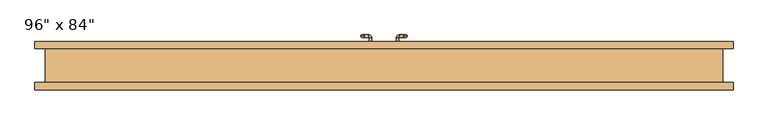
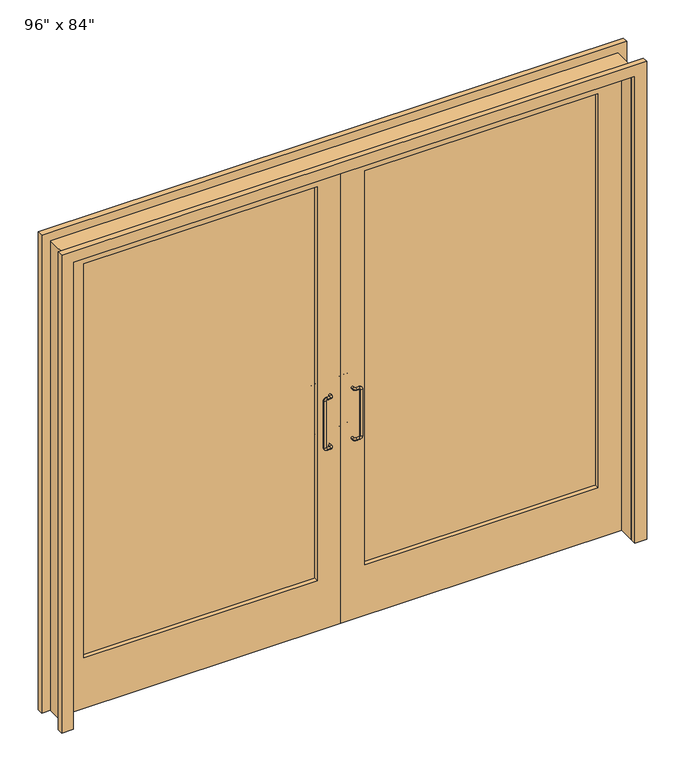
"""IFC4 building model written with IfcOpenShell, lengths in millimetres: door geometry."""

import ifcopenshell
import ifcopenshell.guid

model = None  # the IFC model being written
_history = None  # IfcOwnerHistory: only IFC2X3 demands one
_inside = {}  # id of a spatial element -> (the spatial element, [elements in it])
_under = {}  # id of a project, library or spatial element -> (it, [spatial elements below it])
_declared = {}  # id of a project -> (the project, [libraries it declares])
_typed = {}  # id of a type object -> (the type object, [elements of that type])
_made_of = {}  # id of a material, layer set ... -> (it, [elements and type objects made of it])


def new_model(schema):
    """Start an empty IFC model of exactly this schema.

    Asked for "IFC4X3", IfcOpenShell would pick the latest addendum, in which some entities
    have other attributes; the version numbers below select the first issue.
    IFC2X3 requires an IfcOwnerHistory on every rooted entity: one is made here for all.
    """
    global model, _history
    if schema == "IFC4X3":
        model = ifcopenshell.file(schema_version=(4, 3, 0, 0))
    else:
        model = ifcopenshell.file(schema=schema)
    _inside.clear()
    _under.clear()
    _declared.clear()
    _typed.clear()
    _made_of.clear()
    _history = None
    if model.schema == "IFC2X3":
        org = make("IfcOrganization", Name="unknown")
        user = make(
            "IfcPersonAndOrganization",
            ThePerson=make("IfcPerson", FamilyName="unknown"),
            TheOrganization=org,
        )
        app = make(
            "IfcApplication",
            ApplicationDeveloper=org,
            Version="unknown",
            ApplicationFullName="unknown",
            ApplicationIdentifier="unknown",
        )
        _history = make(
            "IfcOwnerHistory",
            OwningUser=user,
            OwningApplication=app,
            ChangeAction="ADDED",
            CreationDate=0,
        )
    return model


def make(cls, **values):
    """One entity of the class cls with the attributes given. An attribute that is None is left unset."""
    return model.create_entity(
        cls, **{name: value for name, value in values.items() if value is not None}
    )


def rooted(cls, **values):
    """An entity with a GlobalId (a new one), such as an element, a storey or a relation."""
    return make(cls, GlobalId=ifcopenshell.guid.new(), OwnerHistory=_history, **values)


def si_unit(unit_type, name, prefix=None):
    """IfcSIUnit, for example si_unit("LENGTHUNIT", "METRE", prefix="MILLI")."""
    return make("IfcSIUnit", UnitType=unit_type, Prefix=prefix, Name=name)


def assignment(units):
    """IfcUnitAssignment: the units of a project."""
    return None if units is None else make("IfcUnitAssignment", Units=units)


def point(xyz):
    """IfcCartesianPoint."""
    return None if xyz is None else make("IfcCartesianPoint", Coordinates=xyz)


def direction(xyz):
    """IfcDirection."""
    return None if xyz is None else make("IfcDirection", DirectionRatios=xyz)


def frame(location, z_axis=None, x_axis=None):
    """IfcAxis2Placement3D, a coordinate frame: its origin and axes. An axis left out is left unset."""
    return make(
        "IfcAxis2Placement3D",
        Location=point(location),
        Axis=direction(z_axis),
        RefDirection=direction(x_axis),
    )


def origin():
    """The frame at (0, 0, 0) with its axes left unset."""
    return frame((0.0, 0.0, 0.0))


def place(relative_to, where):
    """IfcLocalPlacement: puts the frame where relative to a parent placement (None: the world)."""
    return make(
        "IfcLocalPlacement", PlacementRelTo=relative_to, RelativePlacement=where
    )


def context(
    kind, dimensions, precision=None, world=None, true_north=None, identifier=None
):
    """IfcGeometricRepresentationContext, for example the 3D "Model" context."""
    return make(
        "IfcGeometricRepresentationContext",
        ContextIdentifier=identifier,
        ContextType=kind,
        CoordinateSpaceDimension=dimensions,
        Precision=precision,
        WorldCoordinateSystem=world,
        TrueNorth=true_north,
    )


def project(units=None, contexts=None):
    """IfcProject with its units and contexts."""
    return rooted(
        "IfcProject",
        Name="project",
        RepresentationContexts=contexts,
        UnitsInContext=assignment(units),
    )


def spatial(cls, under=None, at=None, **own):
    """A site, building, storey or space (cls), placed at a placement, below another one or the project."""
    s = rooted(cls, ObjectPlacement=at, **own)
    if under is not None:
        _under.setdefault(under.id(), (under, []))[1].append(s)
    return s


def polyline(points):
    """IfcPolyline through the points."""
    return make("IfcPolyline", Points=[point(p) for p in points])


def circle_curve(where, radius):
    """IfcCircle in the frame where."""
    return make("IfcCircle", Position=where, Radius=radius)


def ellipse_curve(where, semi_axis1, semi_axis2):
    """IfcEllipse in the frame where."""
    return make(
        "IfcEllipse", Position=where, SemiAxis1=semi_axis1, SemiAxis2=semi_axis2
    )


def trimmed(basis, trim1, trim2, sense, master):
    """IfcTrimmedCurve: the piece of a basis curve between two trims."""
    return make(
        "IfcTrimmedCurve",
        BasisCurve=basis,
        Trim1=trim1,
        Trim2=trim2,
        SenseAgreement=sense,
        MasterRepresentation=master,
    )


def outline(outer, holes=None, kind="AREA"):
    """IfcArbitraryClosedProfileDef: a profile drawn as a closed curve; with holes, ...WithVoids."""
    if holes is None:
        return make("IfcArbitraryClosedProfileDef", ProfileType=kind, OuterCurve=outer)
    return make(
        "IfcArbitraryProfileDefWithVoids",
        ProfileType=kind,
        OuterCurve=outer,
        InnerCurves=holes,
    )


def extrude(swept, where, along, depth):
    """IfcExtrudedAreaSolid: the profile swept, set in the frame where, extruded along a direction by depth."""
    return make(
        "IfcExtrudedAreaSolid",
        SweptArea=swept,
        Position=where,
        ExtrudedDirection=direction(along),
        Depth=depth,
    )


def shape(context_of_items, identifier, shape_type, items):
    """IfcShapeRepresentation: the items that make up one representation, for example the "Body"."""
    return make(
        "IfcShapeRepresentation",
        ContextOfItems=context_of_items,
        RepresentationIdentifier=identifier,
        RepresentationType=shape_type,
        Items=items,
    )


def source(mapping_origin, context_of_items, identifier, shape_type, items):
    """IfcRepresentationMap: a shape defined once, which mapped items show again and again."""
    return make(
        "IfcRepresentationMap",
        MappingOrigin=mapping_origin,
        MappedRepresentation=shape(context_of_items, identifier, shape_type, items),
    )


def transform(
    local_origin,
    x_axis=None,
    y_axis=None,
    z_axis=None,
    scale=None,
    scale2=None,
    scale3=None,
    uniform=True,
):
    """IfcCartesianTransformationOperator3D, or its non-uniform kind. x_axis, y_axis, z_axis: its Axis1, 2, 3."""
    if uniform:
        return make(
            "IfcCartesianTransformationOperator3D",
            Axis1=direction(x_axis),
            Axis2=direction(y_axis),
            LocalOrigin=point(local_origin),
            Scale=scale,
            Axis3=direction(z_axis),
        )
    return make(
        "IfcCartesianTransformationOperator3DnonUniform",
        Axis1=direction(x_axis),
        Axis2=direction(y_axis),
        LocalOrigin=point(local_origin),
        Scale=scale,
        Axis3=direction(z_axis),
        Scale2=scale2,
        Scale3=scale3,
    )


def mapped(mapping_source, mapping_target):
    """IfcMappedItem: shows the shape of a source again, moved by a transform."""
    return make(
        "IfcMappedItem", MappingSource=mapping_source, MappingTarget=mapping_target
    )


def made_of(thing, what):
    """Note that an element or type object is made of a material, layer set ...; save() writes the relation."""
    if what is not None:
        _made_of.setdefault(what.id(), (what, []))[1].append(thing)
    return thing


def element(
    cls,
    number,
    at=None,
    inside=None,
    cuts=None,
    type_object=None,
    material=None,
    context=None,
    identifier="Body",
    shape_type=None,
    held_by="IfcProductDefinitionShape",
    body=None,
    shapes=None,
    **own,
):
    """One element of the class cls, such as IfcWall. Its Tag is "e" and its number.

    at: its placement. inside: the storey or other place that contains it. cuts: it is an
    opening in that element (IfcRelVoidsElement). A single representation is given by context,
    identifier, shape_type and body (its items); several are given by shapes. held_by: the class
    of the entity that holds the representations. save() writes the other relations.
    """
    e = rooted(cls, Tag="e%d" % number, ObjectPlacement=at, **own)
    if body is not None:
        shapes = [shape(context, identifier, shape_type, body)]
    if shapes is not None:
        e.Representation = make(held_by, Representations=shapes)
    if inside is not None:
        _inside.setdefault(inside.id(), (inside, []))[1].append(e)
    if cuts is not None:
        rooted(
            "IfcRelVoidsElement", RelatingBuildingElement=cuts, RelatedOpeningElement=e
        )
    if type_object is not None:
        _typed.setdefault(type_object.id(), (type_object, []))[1].append(e)
    return made_of(e, material)


def aggregate(whole, parts):
    """IfcRelAggregates: a whole, such as a stair, and the parts it consists of."""
    return rooted("IfcRelAggregates", RelatingObject=whole, RelatedObjects=parts)


def save(model, path):
    """Write the relations noted so far, then the file.

    IfcRelAggregates (storeys below a building ...), IfcRelContainedInSpatialStructure (elements
    in a storey), IfcRelDefinesByType, IfcRelAssociatesMaterial and IfcRelDeclares: one each for
    every whole, place, type object, material and project.
    """
    for whole, parts in _under.values():
        aggregate(whole, parts)
    for where, things in _inside.values():
        rooted(
            "IfcRelContainedInSpatialStructure",
            RelatedElements=things,
            RelatingStructure=where,
        )
    for kind, things in _typed.values():
        rooted("IfcRelDefinesByType", RelatedObjects=things, RelatingType=kind)
    for what, things in _made_of.values():
        rooted("IfcRelAssociatesMaterial", RelatedObjects=things, RelatingMaterial=what)
    for by, libraries in _declared.values():
        rooted("IfcRelDeclares", RelatingContext=by, RelatedDefinitions=libraries)
    model.write(path)


def plane_surface(at):
    """IfcPlane: the flat surface through the origin of the frame at, square to its z axis."""
    return make("IfcPlane", Position=at)


def cylinder_surface(at, radius):
    """IfcCylindricalSurface: all points at the distance radius from the z axis of the frame at."""
    return make("IfcCylindricalSurface", Position=at, Radius=radius)


def revolved_surface(curve, axis_point, axis_direction):
    """IfcSurfaceOfRevolution: the curve turned about the line through axis_point along axis_direction."""
    return make(
        "IfcSurfaceOfRevolution",
        SweptCurve=make("IfcArbitraryOpenProfileDef", ProfileType="CURVE", Curve=curve),
        AxisPosition=make("IfcAxis1Placement", Location=point(axis_point), Axis=direction(axis_direction)),
    )


def advanced_brep(points, edges, surfaces, faces):
    """IfcAdvancedBrep: a solid bounded by faces that lie on surfaces and meet in shared edges.

    An edge is (start, end): straight between two places in points (the first is 0);
    or (start, end, curve); or (start, end, curve, False) where it runs against its curve.
    A face is (place in surfaces, loops), or (place, loops, False) where it looks against
    its surface's normal. A loop lists edges by number (the first is 1), with a minus sign
    where the edge is run from its end to its start. The first loop is the outer one.
    """
    corners = [point(p) for p in points]
    vertices = [make("IfcVertexPoint", VertexGeometry=c) for c in corners]
    made = []
    for start, end, *more in edges:
        made.append(
            make(
                "IfcEdgeCurve",
                EdgeStart=vertices[start],
                EdgeEnd=vertices[end],
                EdgeGeometry=more[0] if more else make("IfcPolyline", Points=[corners[start], corners[end]]),
                SameSense=more[1] if len(more) > 1 else True,
            )
        )
    hull = []
    for where, loops, *sense in faces:
        bounds = []
        for j, loop in enumerate(loops):
            ring = [make("IfcOrientedEdge", EdgeElement=made[abs(k) - 1], Orientation=k > 0) for k in loop]
            bounds.append(
                make(
                    "IfcFaceOuterBound" if j == 0 else "IfcFaceBound",
                    Bound=make("IfcEdgeLoop", EdgeList=ring),
                    Orientation=True,
                )
            )
        hull.append(make("IfcAdvancedFace", Bounds=bounds, FaceSurface=surfaces[where], SameSense=sense[0] if sense else True))
    return make("IfcAdvancedBrep", Outer=make("IfcClosedShell", CfsFaces=hull))


def door_5f680707(model_context):
    return source(origin(), model_context, "Body", "SolidModel", [
        advanced_brep(
        [(-83.5, 106.2, 833.5), (-70.5, 106.2, 820.5), (-70.5, 101.2, 825.5), (-70.5, 106.2, 830.5), (-73.5, 106.2, 833.5), (-70.5, 111.2, 825.5), (-73.5, 106.2, 1046.1), (-83.5, 106.2, 1046.1), (-70.5, 106.2, 1049.1), (-70.5, 101.2, 1054.1), (-70.5, 106.2, 1059.1), (-70.5, 111.2, 1054.1), (-43.5, 76.2, 1054.1), (-53.5, 76.2, 1054.1), (-43.5, 99.2, 1054.1), (-53.5, 99.2, 1054.1), (-55.5, 111.2, 1054.1), (-55.5, 101.2, 1054.1), (-43.5, 76.2, 825.5), (-53.5, 76.2, 825.5), (-43.5, 99.2, 825.5), (-53.5, 99.2, 825.5), (-55.5, 111.2, 825.5), (-55.5, 101.2, 825.5)],
        [
            (0, 1, circle_curve(frame((-70.5, 106.2, 833.5), z_axis=(0.0, -1.0, 0.0), x_axis=(0.0, 0.0, -1.0)), 13.0)),
            (1, 2, circle_curve(frame((-70.5, 106.2, 825.5), z_axis=(-1.0, 0.0, 0.0), x_axis=(0.0, 0.0, -1.0)), 5.0)),
            (2, 3, circle_curve(frame((-70.5, 106.2, 825.5), z_axis=(-1.0, 0.0, 0.0), x_axis=(0.0, 0.0, -1.0)), 5.0)),
            (3, 4, circle_curve(frame((-70.5, 106.2, 833.5), z_axis=(0.0, 1.0, 0.0), x_axis=(0.0, 0.0, -1.0)), 3.0)),
            (4, 0, circle_curve(frame((-78.5, 106.2, 833.5), z_axis=(0.0, 0.0, -1.0), x_axis=(-1.0, 0.0, 0.0)), 5.0)),
            (0, 4, circle_curve(frame((-78.5, 106.2, 833.5), z_axis=(0.0, 0.0, -1.0), x_axis=(-1.0, 0.0, 0.0)), 5.0)),
            (3, 5, circle_curve(frame((-70.5, 106.2, 825.5), z_axis=(-1.0, 0.0, 0.0), x_axis=(0.0, 0.0, -1.0)), 5.0)),
            (5, 1, circle_curve(frame((-70.5, 106.2, 825.5), z_axis=(-1.0, 0.0, 0.0), x_axis=(0.0, 0.0, -1.0)), 5.0)),
            (4, 6),
            (6, 7, circle_curve(frame((-78.5, 106.2, 1046.1), z_axis=(0.0, 0.0, -1.0), x_axis=(-1.0, 0.0, 0.0)), 5.0)),
            (7, 0),
            (7, 6, circle_curve(frame((-78.5, 106.2, 1046.1), z_axis=(0.0, 0.0, -1.0), x_axis=(-1.0, 0.0, 0.0)), 5.0)),
            (6, 8, circle_curve(frame((-70.5, 106.2, 1046.1), z_axis=(0.0, 1.0, 0.0), x_axis=(-1.0, 0.0, 0.0)), 3.0)),
            (8, 9, circle_curve(frame((-70.5, 106.2, 1054.1), z_axis=(-1.0, 0.0, 0.0), x_axis=(0.0, 0.0, 1.0)), 5.0)),
            (9, 10, circle_curve(frame((-70.5, 106.2, 1054.1), z_axis=(-1.0, 0.0, 0.0), x_axis=(0.0, 0.0, 1.0)), 5.0)),
            (10, 7, circle_curve(frame((-70.5, 106.2, 1046.1), z_axis=(0.0, -1.0, 0.0), x_axis=(-1.0, 0.0, 0.0)), 13.0)),
            (10, 11, circle_curve(frame((-70.5, 106.2, 1054.1), z_axis=(-1.0, 0.0, 0.0), x_axis=(0.0, 0.0, 1.0)), 5.0)),
            (11, 8, circle_curve(frame((-70.5, 106.2, 1054.1), z_axis=(-1.0, 0.0, 0.0), x_axis=(0.0, 0.0, 1.0)), 5.0)),
            (12, 13, circle_curve(frame((-48.5, 76.2, 1054.1), z_axis=(0.0, -1.0, 0.0), x_axis=(-1.0, 0.0, 0.0)), 5.0)),
            (13, 12, circle_curve(frame((-48.5, 76.2, 1054.1), z_axis=(0.0, -1.0, 0.0), x_axis=(-1.0, 0.0, 0.0)), 5.0)),
            (12, 14),
            (14, 15, circle_curve(frame((-48.5, 99.2, 1054.1), z_axis=(0.0, -1.0, 0.0), x_axis=(-1.0, 0.0, 0.0)), 5.0)),
            (15, 13),
            (15, 14, circle_curve(frame((-48.5, 99.2, 1054.1), z_axis=(0.0, -1.0, 0.0), x_axis=(-1.0, 0.0, 0.0)), 5.0)),
            (14, 16, circle_curve(frame((-55.5, 99.2, 1054.1), z_axis=(0.0, 0.0, 1.0), x_axis=(1.0, 0.0, 0.0)), 12.0)),
            (16, 17, circle_curve(frame((-55.5, 106.2, 1054.1), z_axis=(1.0, 0.0, 0.0), x_axis=(0.0, -1.0, 0.0)), 5.0)),
            (17, 15, circle_curve(frame((-55.5, 99.2, 1054.1), z_axis=(0.0, 0.0, -1.0), x_axis=(1.0, 0.0, 0.0)), 2.0)),
            (17, 16, circle_curve(frame((-55.5, 106.2, 1054.1), z_axis=(1.0, 0.0, 0.0), x_axis=(0.0, -1.0, 0.0)), 5.0)),
            (16, 11),
            (9, 17),
            (18, 19, circle_curve(frame((-48.5, 76.2, 825.5), z_axis=(0.0, -1.0, 0.0), x_axis=(-1.0, 0.0, 0.0)), 5.0)),
            (19, 18, circle_curve(frame((-48.5, 76.2, 825.5), z_axis=(0.0, -1.0, 0.0), x_axis=(-1.0, 0.0, 0.0)), 5.0)),
            (18, 20),
            (20, 21, circle_curve(frame((-48.5, 99.2, 825.5), z_axis=(0.0, -1.0, 0.0), x_axis=(-1.0, 0.0, 0.0)), 5.0)),
            (21, 19),
            (21, 20, circle_curve(frame((-48.5, 99.2, 825.5), z_axis=(0.0, -1.0, 0.0), x_axis=(-1.0, 0.0, 0.0)), 5.0)),
            (20, 22, circle_curve(frame((-55.5, 99.2, 825.5), z_axis=(0.0, 0.0, 1.0), x_axis=(1.0, 0.0, 0.0)), 12.0)),
            (22, 23, circle_curve(frame((-55.5, 106.2, 825.5), z_axis=(1.0, 0.0, 0.0), x_axis=(0.0, -1.0, 0.0)), 5.0)),
            (23, 21, circle_curve(frame((-55.5, 99.2, 825.5), z_axis=(0.0, 0.0, -1.0), x_axis=(1.0, 0.0, 0.0)), 2.0)),
            (23, 22, circle_curve(frame((-55.5, 106.2, 825.5), z_axis=(1.0, 0.0, 0.0), x_axis=(0.0, -1.0, 0.0)), 5.0)),
            (22, 5),
            (2, 23),
        ],
        [
            revolved_surface(trimmed(ellipse_curve(frame((-70.5, 106.2, 825.5), z_axis=(1.0, 0.0, 0.0), x_axis=(0.0, 0.0, -1.0)), 5.0, 5.0), [point((-70.5, 106.2, 830.5))], [point((-70.5, 106.2, 820.5))], True, "CARTESIAN"), (-70.5, 106.2, 833.5), (0.0, 1.0, 0.0)),
            revolved_surface(trimmed(ellipse_curve(frame((-70.5, 106.2, 825.5), z_axis=(1.0, 0.0, 0.0), x_axis=(0.0, 0.0, -1.0)), 5.0, 5.0), [point((-70.5, 106.2, 820.5))], [point((-70.5, 106.2, 830.5))], True, "CARTESIAN"), (-70.5, 106.2, 833.5), (0.0, 1.0, 0.0)),
            cylinder_surface(frame((-78.5, 106.2, 833.5), z_axis=(0.0, 0.0, -1.0), x_axis=(-1.0, 0.0, 0.0)), 5.0),
            revolved_surface(trimmed(ellipse_curve(frame((-78.5, 106.2, 1046.1), z_axis=(0.0, 0.0, -1.0), x_axis=(-1.0, 0.0, 0.0)), 5.0, 5.0), [point((-73.5, 106.2, 1046.1))], [point((-83.5, 106.2, 1046.1))], True, "CARTESIAN"), (-70.5, 106.2, 1046.1), (0.0, 1.0, 0.0)),
            revolved_surface(trimmed(ellipse_curve(frame((-78.5, 106.2, 1046.1), z_axis=(0.0, 0.0, -1.0), x_axis=(-1.0, 0.0, 0.0)), 5.0, 5.0), [point((-83.5, 106.2, 1046.1))], [point((-73.5, 106.2, 1046.1))], True, "CARTESIAN"), (-70.5, 106.2, 1046.1), (0.0, 1.0, 0.0)),
            plane_surface(frame((-48.5, 76.2, 1054.1), z_axis=(0.0, -1.0, 0.0), x_axis=(0.0, 0.0, 1.0))),
            cylinder_surface(frame((-48.5, 76.2, 1054.1), z_axis=(0.0, -1.0, 0.0), x_axis=(-1.0, 0.0, 0.0)), 5.0),
            revolved_surface(trimmed(ellipse_curve(frame((-48.5, 99.2, 1054.1), z_axis=(0.0, -1.0, 0.0), x_axis=(-1.0, 0.0, 0.0)), 5.0, 5.0), [point((-43.5, 99.2, 1054.1))], [point((-53.5, 99.2, 1054.1))], True, "CARTESIAN"), (-55.5, 99.2, 1054.1), (0.0, 0.0, 1.0)),
            revolved_surface(trimmed(ellipse_curve(frame((-48.5, 99.2, 1054.1), z_axis=(0.0, -1.0, 0.0), x_axis=(-1.0, 0.0, 0.0)), 5.0, 5.0), [point((-53.5, 99.2, 1054.1))], [point((-43.5, 99.2, 1054.1))], True, "CARTESIAN"), (-55.5, 99.2, 1054.1), (0.0, 0.0, 1.0)),
            cylinder_surface(frame((-55.5, 106.2, 1054.1), z_axis=(1.0, 0.0, 0.0), x_axis=(0.0, -1.0, 0.0)), 5.0),
            plane_surface(frame((-48.5, 76.2, 825.5), z_axis=(0.0, -1.0, 0.0), x_axis=(0.0, 0.0, 1.0))),
            cylinder_surface(frame((-48.5, 76.2, 825.5), z_axis=(0.0, -1.0, 0.0), x_axis=(-1.0, 0.0, 0.0)), 5.0),
            revolved_surface(trimmed(ellipse_curve(frame((-48.5, 99.2, 825.5), z_axis=(0.0, -1.0, 0.0), x_axis=(-1.0, 0.0, 0.0)), 5.0, 5.0), [point((-43.5, 99.2, 825.5))], [point((-53.5, 99.2, 825.5))], True, "CARTESIAN"), (-55.5, 99.2, 825.5), (0.0, 0.0, 1.0)),
            revolved_surface(trimmed(ellipse_curve(frame((-48.5, 99.2, 825.5), z_axis=(0.0, -1.0, 0.0), x_axis=(-1.0, 0.0, 0.0)), 5.0, 5.0), [point((-53.5, 99.2, 825.5))], [point((-43.5, 99.2, 825.5))], True, "CARTESIAN"), (-55.5, 99.2, 825.5), (0.0, 0.0, 1.0)),
            cylinder_surface(frame((-55.5, 106.2, 825.5), z_axis=(1.0, 0.0, 0.0), x_axis=(0.0, -1.0, 0.0)), 5.0),
        ],
        [
            (0, [[1, 2, 3, 4, 5]]),
            (1, [[-1, 6, -4, 7, 8]]),
            (2, [[-5, 9, 10, 11]]),
            (2, [[-6, -11, 12, -9]]),
            (3, [[-10, 13, 14, 15, 16]]),
            (4, [[-12, -16, 17, 18, -13]]),
            (5, [[19, 20]]),
            (6, [[-19, 21, 22, 23]]),
            (6, [[-20, -23, 24, -21]]),
            (7, [[-22, 25, 26, 27]]),
            (8, [[-24, -27, 28, -25]]),
            (9, [[-26, 29, -17, -15, 30]]),
            (9, [[-28, -30, -14, -18, -29]]),
            (10, [[31, 32]]),
            (11, [[-31, 33, 34, 35]]),
            (11, [[-32, -35, 36, -33]]),
            (12, [[-34, 37, 38, 39]]),
            (13, [[-36, -39, 40, -37]]),
            (14, [[-38, 41, -7, -3, 42]]),
            (14, [[-40, -42, -2, -8, -41]]),
        ],
    ),
        advanced_brep(
        [(83.5, 106.2, 833.5), (73.5, 106.2, 833.5), (70.5, 106.2, 830.5), (70.5, 101.2, 825.5), (70.5, 106.2, 820.5), (70.5, 111.2, 825.5), (83.5, 106.2, 1046.1), (73.5, 106.2, 1046.1), (70.5, 106.2, 1059.1), (70.5, 101.2, 1054.1), (70.5, 106.2, 1049.1), (70.5, 111.2, 1054.1), (43.5, 76.2, 1054.1), (53.5, 76.2, 1054.1), (53.5, 99.2, 1054.1), (43.5, 99.2, 1054.1), (55.5, 101.2, 1054.1), (55.5, 111.2, 1054.1), (43.5, 76.2, 825.5), (53.5, 76.2, 825.5), (53.5, 99.2, 825.5), (43.5, 99.2, 825.5), (55.5, 101.2, 825.5), (55.5, 111.2, 825.5)],
        [
            (0, 1, circle_curve(frame((78.5, 106.2, 833.5), z_axis=(0.0, 0.0, -1.0), x_axis=(1.0, 0.0, 0.0)), 5.0)),
            (1, 2, circle_curve(frame((70.5, 106.2, 833.5), z_axis=(0.0, 1.0, 0.0), x_axis=(0.0, 0.0, -1.0)), 3.0)),
            (2, 3, circle_curve(frame((70.5, 106.2, 825.5), z_axis=(1.0, 0.0, 0.0), x_axis=(0.0, 0.0, -1.0)), 5.0)),
            (3, 4, circle_curve(frame((70.5, 106.2, 825.5), z_axis=(1.0, 0.0, 0.0), x_axis=(0.0, 0.0, -1.0)), 5.0)),
            (4, 0, circle_curve(frame((70.5, 106.2, 833.5), z_axis=(0.0, -1.0, 0.0), x_axis=(0.0, 0.0, -1.0)), 13.0)),
            (4, 5, circle_curve(frame((70.5, 106.2, 825.5), z_axis=(1.0, 0.0, 0.0), x_axis=(0.0, 0.0, -1.0)), 5.0)),
            (5, 2, circle_curve(frame((70.5, 106.2, 825.5), z_axis=(1.0, 0.0, 0.0), x_axis=(0.0, 0.0, -1.0)), 5.0)),
            (1, 0, circle_curve(frame((78.5, 106.2, 833.5), z_axis=(0.0, 0.0, -1.0), x_axis=(1.0, 0.0, 0.0)), 5.0)),
            (0, 6),
            (6, 7, circle_curve(frame((78.5, 106.2, 1046.1), z_axis=(0.0, 0.0, -1.0), x_axis=(1.0, 0.0, 0.0)), 5.0)),
            (7, 1),
            (7, 6, circle_curve(frame((78.5, 106.2, 1046.1), z_axis=(0.0, 0.0, -1.0), x_axis=(1.0, 0.0, 0.0)), 5.0)),
            (6, 8, circle_curve(frame((70.5, 106.2, 1046.1), z_axis=(0.0, -1.0, 0.0), x_axis=(1.0, 0.0, 0.0)), 13.0)),
            (8, 9, circle_curve(frame((70.5, 106.2, 1054.1), z_axis=(1.0, 0.0, 0.0), x_axis=(0.0, 0.0, 1.0)), 5.0)),
            (9, 10, circle_curve(frame((70.5, 106.2, 1054.1), z_axis=(1.0, 0.0, 0.0), x_axis=(0.0, 0.0, 1.0)), 5.0)),
            (10, 7, circle_curve(frame((70.5, 106.2, 1046.1), z_axis=(0.0, 1.0, 0.0), x_axis=(1.0, 0.0, 0.0)), 3.0)),
            (10, 11, circle_curve(frame((70.5, 106.2, 1054.1), z_axis=(1.0, 0.0, 0.0), x_axis=(0.0, 0.0, 1.0)), 5.0)),
            (11, 8, circle_curve(frame((70.5, 106.2, 1054.1), z_axis=(1.0, 0.0, 0.0), x_axis=(0.0, 0.0, 1.0)), 5.0)),
            (12, 13, circle_curve(frame((48.5, 76.2, 1054.1), z_axis=(0.0, -1.0, 0.0), x_axis=(1.0, 0.0, 0.0)), 5.0)),
            (13, 12, circle_curve(frame((48.5, 76.2, 1054.1), z_axis=(0.0, -1.0, 0.0), x_axis=(1.0, 0.0, 0.0)), 5.0)),
            (13, 14),
            (14, 15, circle_curve(frame((48.5, 99.2, 1054.1), z_axis=(0.0, -1.0, 0.0), x_axis=(1.0, 0.0, 0.0)), 5.0)),
            (15, 12),
            (15, 14, circle_curve(frame((48.5, 99.2, 1054.1), z_axis=(0.0, -1.0, 0.0), x_axis=(1.0, 0.0, 0.0)), 5.0)),
            (14, 16, circle_curve(frame((55.5, 99.2, 1054.1), z_axis=(0.0, 0.0, -1.0), x_axis=(-1.0, 0.0, 0.0)), 2.0)),
            (16, 17, circle_curve(frame((55.5, 106.2, 1054.1), z_axis=(-1.0, 0.0, 0.0), x_axis=(0.0, -1.0, 0.0)), 5.0)),
            (17, 15, circle_curve(frame((55.5, 99.2, 1054.1), z_axis=(0.0, 0.0, 1.0), x_axis=(-1.0, 0.0, 0.0)), 12.0)),
            (17, 16, circle_curve(frame((55.5, 106.2, 1054.1), z_axis=(-1.0, 0.0, 0.0), x_axis=(0.0, -1.0, 0.0)), 5.0)),
            (16, 9),
            (11, 17),
            (18, 19, circle_curve(frame((48.5, 76.2, 825.5), z_axis=(0.0, -1.0, 0.0), x_axis=(1.0, 0.0, 0.0)), 5.0)),
            (19, 18, circle_curve(frame((48.5, 76.2, 825.5), z_axis=(0.0, -1.0, 0.0), x_axis=(1.0, 0.0, 0.0)), 5.0)),
            (19, 20),
            (20, 21, circle_curve(frame((48.5, 99.2, 825.5), z_axis=(0.0, -1.0, 0.0), x_axis=(1.0, 0.0, 0.0)), 5.0)),
            (21, 18),
            (21, 20, circle_curve(frame((48.5, 99.2, 825.5), z_axis=(0.0, -1.0, 0.0), x_axis=(1.0, 0.0, 0.0)), 5.0)),
            (20, 22, circle_curve(frame((55.5, 99.2, 825.5), z_axis=(0.0, 0.0, -1.0), x_axis=(-1.0, 0.0, 0.0)), 2.0)),
            (22, 23, circle_curve(frame((55.5, 106.2, 825.5), z_axis=(-1.0, 0.0, 0.0), x_axis=(0.0, -1.0, 0.0)), 5.0)),
            (23, 21, circle_curve(frame((55.5, 99.2, 825.5), z_axis=(0.0, 0.0, 1.0), x_axis=(-1.0, 0.0, 0.0)), 12.0)),
            (23, 22, circle_curve(frame((55.5, 106.2, 825.5), z_axis=(-1.0, 0.0, 0.0), x_axis=(0.0, -1.0, 0.0)), 5.0)),
            (22, 3),
            (5, 23),
        ],
        [
            revolved_surface(trimmed(ellipse_curve(frame((70.5, 106.2, 825.5), z_axis=(1.0, 0.0, 0.0), x_axis=(0.0, 0.0, -1.0)), 5.0, 5.0), [point((70.5, 106.2, 830.5))], [point((70.5, 106.2, 820.5))], True, "CARTESIAN"), (70.5, 106.2, 833.5), (0.0, 1.0, 0.0)),
            revolved_surface(trimmed(ellipse_curve(frame((70.5, 106.2, 825.5), z_axis=(1.0, 0.0, 0.0), x_axis=(0.0, 0.0, -1.0)), 5.0, 5.0), [point((70.5, 106.2, 820.5))], [point((70.5, 106.2, 830.5))], True, "CARTESIAN"), (70.5, 106.2, 833.5), (0.0, 1.0, 0.0)),
            cylinder_surface(frame((78.5, 106.2, 833.5), z_axis=(0.0, 0.0, -1.0), x_axis=(1.0, 0.0, 0.0)), 5.0),
            revolved_surface(trimmed(ellipse_curve(frame((78.5, 106.2, 1046.1), z_axis=(0.0, 0.0, 1.0), x_axis=(1.0, 0.0, 0.0)), 5.0, 5.0), [point((73.5, 106.2, 1046.1))], [point((83.5, 106.2, 1046.1))], True, "CARTESIAN"), (70.5, 106.2, 1046.1), (0.0, 1.0, 0.0)),
            revolved_surface(trimmed(ellipse_curve(frame((78.5, 106.2, 1046.1), z_axis=(0.0, 0.0, 1.0), x_axis=(1.0, 0.0, 0.0)), 5.0, 5.0), [point((83.5, 106.2, 1046.1))], [point((73.5, 106.2, 1046.1))], True, "CARTESIAN"), (70.5, 106.2, 1046.1), (0.0, 1.0, 0.0)),
            plane_surface(frame((48.5, 76.2, 1054.1), z_axis=(0.0, -1.0, 0.0), x_axis=(0.0, 0.0, 1.0))),
            cylinder_surface(frame((48.5, 76.2, 1054.1), z_axis=(0.0, -1.0, 0.0), x_axis=(1.0, 0.0, 0.0)), 5.0),
            revolved_surface(trimmed(ellipse_curve(frame((48.5, 99.2, 1054.1), z_axis=(0.0, 1.0, 0.0), x_axis=(1.0, 0.0, 0.0)), 5.0, 5.0), [point((43.5, 99.2, 1054.1))], [point((53.5, 99.2, 1054.1))], True, "CARTESIAN"), (55.5, 99.2, 1054.1), (0.0, 0.0, 1.0)),
            revolved_surface(trimmed(ellipse_curve(frame((48.5, 99.2, 1054.1), z_axis=(0.0, 1.0, 0.0), x_axis=(1.0, 0.0, 0.0)), 5.0, 5.0), [point((53.5, 99.2, 1054.1))], [point((43.5, 99.2, 1054.1))], True, "CARTESIAN"), (55.5, 99.2, 1054.1), (0.0, 0.0, 1.0)),
            cylinder_surface(frame((55.5, 106.2, 1054.1), z_axis=(-1.0, 0.0, 0.0), x_axis=(0.0, -1.0, 0.0)), 5.0),
            plane_surface(frame((48.5, 76.2, 825.5), z_axis=(0.0, -1.0, 0.0), x_axis=(0.0, 0.0, 1.0))),
            cylinder_surface(frame((48.5, 76.2, 825.5), z_axis=(0.0, -1.0, 0.0), x_axis=(1.0, 0.0, 0.0)), 5.0),
            revolved_surface(trimmed(ellipse_curve(frame((48.5, 99.2, 825.5), z_axis=(0.0, 1.0, 0.0), x_axis=(1.0, 0.0, 0.0)), 5.0, 5.0), [point((43.5, 99.2, 825.5))], [point((53.5, 99.2, 825.5))], True, "CARTESIAN"), (55.5, 99.2, 825.5), (0.0, 0.0, 1.0)),
            revolved_surface(trimmed(ellipse_curve(frame((48.5, 99.2, 825.5), z_axis=(0.0, 1.0, 0.0), x_axis=(1.0, 0.0, 0.0)), 5.0, 5.0), [point((53.5, 99.2, 825.5))], [point((43.5, 99.2, 825.5))], True, "CARTESIAN"), (55.5, 99.2, 825.5), (0.0, 0.0, 1.0)),
            cylinder_surface(frame((55.5, 106.2, 825.5), z_axis=(-1.0, 0.0, 0.0), x_axis=(0.0, -1.0, 0.0)), 5.0),
        ],
        [
            (0, [[1, 2, 3, 4, 5]]),
            (1, [[6, 7, -2, 8, -5]]),
            (2, [[9, 10, 11, -1]]),
            (2, [[-11, 12, -9, -8]]),
            (3, [[13, 14, 15, 16, -10]]),
            (4, [[-16, 17, 18, -13, -12]]),
            (5, [[19, 20]]),
            (6, [[21, 22, 23, -20]]),
            (6, [[-23, 24, -21, -19]]),
            (7, [[25, 26, 27, -22]]),
            (8, [[-27, 28, -25, -24]]),
            (9, [[29, -14, -18, 30, -26]]),
            (9, [[-30, -17, -15, -29, -28]]),
            (10, [[31, 32]]),
            (11, [[33, 34, 35, -32]]),
            (11, [[-35, 36, -33, -31]]),
            (12, [[37, 38, 39, -34]]),
            (13, [[-39, 40, -37, -36]]),
            (14, [[41, -3, -7, 42, -38]]),
            (14, [[-42, -6, -4, -41, -40]]),
        ],
    ),
        advanced_brep(
        [(-83.5, -4.6, 833.5), (-73.5, -4.6, 833.5), (-70.5, -4.6, 830.5), (-70.5, 0.4, 825.5), (-70.5, -4.6, 820.5), (-70.5, -9.6, 825.5), (-83.5, -4.6, 1046.1), (-73.5, -4.6, 1046.1), (-70.5, -4.6, 1059.1), (-70.5, 0.4, 1054.1), (-70.5, -4.6, 1049.1), (-70.5, -9.6, 1054.1), (-43.5, 25.4, 1054.1), (-53.5, 25.4, 1054.1), (-53.5, 2.4, 1054.1), (-43.5, 2.4, 1054.1), (-55.5, 0.4, 1054.1), (-55.5, -9.6, 1054.1), (-43.5, 25.4, 825.5), (-53.5, 25.4, 825.5), (-53.5, 2.4, 825.5), (-43.5, 2.4, 825.5), (-55.5, 0.4, 825.5), (-55.5, -9.6, 825.5)],
        [
            (0, 1, circle_curve(frame((-78.5, -4.6, 833.5), z_axis=(0.0, 0.0, -1.0), x_axis=(-1.0, 0.0, 0.0)), 5.0)),
            (1, 2, circle_curve(frame((-70.5, -4.6, 833.5), z_axis=(0.0, -1.0, 0.0), x_axis=(0.0, 0.0, -1.0)), 3.0)),
            (2, 3, circle_curve(frame((-70.5, -4.6, 825.5), z_axis=(-1.0, 0.0, 0.0), x_axis=(0.0, 0.0, -1.0)), 5.0)),
            (3, 4, circle_curve(frame((-70.5, -4.6, 825.5), z_axis=(-1.0, 0.0, 0.0), x_axis=(0.0, 0.0, -1.0)), 5.0)),
            (4, 0, circle_curve(frame((-70.5, -4.6, 833.5), z_axis=(0.0, 1.0, 0.0), x_axis=(0.0, 0.0, -1.0)), 13.0)),
            (4, 5, circle_curve(frame((-70.5, -4.6, 825.5), z_axis=(-1.0, 0.0, 0.0), x_axis=(0.0, 0.0, -1.0)), 5.0)),
            (5, 2, circle_curve(frame((-70.5, -4.6, 825.5), z_axis=(-1.0, 0.0, 0.0), x_axis=(0.0, 0.0, -1.0)), 5.0)),
            (1, 0, circle_curve(frame((-78.5, -4.6, 833.5), z_axis=(0.0, 0.0, -1.0), x_axis=(-1.0, 0.0, 0.0)), 5.0)),
            (0, 6),
            (6, 7, circle_curve(frame((-78.5, -4.6, 1046.1), z_axis=(0.0, 0.0, -1.0), x_axis=(-1.0, 0.0, 0.0)), 5.0)),
            (7, 1),
            (7, 6, circle_curve(frame((-78.5, -4.6, 1046.1), z_axis=(0.0, 0.0, -1.0), x_axis=(-1.0, 0.0, 0.0)), 5.0)),
            (6, 8, circle_curve(frame((-70.5, -4.6, 1046.1), z_axis=(0.0, 1.0, 0.0), x_axis=(-1.0, 0.0, 0.0)), 13.0)),
            (8, 9, circle_curve(frame((-70.5, -4.6, 1054.1), z_axis=(-1.0, 0.0, 0.0), x_axis=(0.0, 0.0, 1.0)), 5.0)),
            (9, 10, circle_curve(frame((-70.5, -4.6, 1054.1), z_axis=(-1.0, 0.0, 0.0), x_axis=(0.0, 0.0, 1.0)), 5.0)),
            (10, 7, circle_curve(frame((-70.5, -4.6, 1046.1), z_axis=(0.0, -1.0, 0.0), x_axis=(-1.0, 0.0, 0.0)), 3.0)),
            (10, 11, circle_curve(frame((-70.5, -4.6, 1054.1), z_axis=(-1.0, 0.0, 0.0), x_axis=(0.0, 0.0, 1.0)), 5.0)),
            (11, 8, circle_curve(frame((-70.5, -4.6, 1054.1), z_axis=(-1.0, 0.0, 0.0), x_axis=(0.0, 0.0, 1.0)), 5.0)),
            (12, 13, circle_curve(frame((-48.5, 25.4, 1054.1), z_axis=(0.0, 1.0, 0.0), x_axis=(-1.0, 0.0, 0.0)), 5.0)),
            (13, 12, circle_curve(frame((-48.5, 25.4, 1054.1), z_axis=(0.0, 1.0, 0.0), x_axis=(-1.0, 0.0, 0.0)), 5.0)),
            (13, 14),
            (14, 15, circle_curve(frame((-48.5, 2.4, 1054.1), z_axis=(0.0, 1.0, 0.0), x_axis=(-1.0, 0.0, 0.0)), 5.0)),
            (15, 12),
            (15, 14, circle_curve(frame((-48.5, 2.4, 1054.1), z_axis=(0.0, 1.0, 0.0), x_axis=(-1.0, 0.0, 0.0)), 5.0)),
            (14, 16, circle_curve(frame((-55.5, 2.4, 1054.1), z_axis=(0.0, 0.0, -1.0), x_axis=(1.0, 0.0, 0.0)), 2.0)),
            (16, 17, circle_curve(frame((-55.5, -4.6, 1054.1), z_axis=(1.0, 0.0, 0.0), x_axis=(0.0, 1.0, 0.0)), 5.0)),
            (17, 15, circle_curve(frame((-55.5, 2.4, 1054.1), z_axis=(0.0, 0.0, 1.0), x_axis=(1.0, 0.0, 0.0)), 12.0)),
            (17, 16, circle_curve(frame((-55.5, -4.6, 1054.1), z_axis=(1.0, 0.0, 0.0), x_axis=(0.0, 1.0, 0.0)), 5.0)),
            (16, 9),
            (11, 17),
            (18, 19, circle_curve(frame((-48.5, 25.4, 825.5), z_axis=(0.0, 1.0, 0.0), x_axis=(-1.0, 0.0, 0.0)), 5.0)),
            (19, 18, circle_curve(frame((-48.5, 25.4, 825.5), z_axis=(0.0, 1.0, 0.0), x_axis=(-1.0, 0.0, 0.0)), 5.0)),
            (19, 20),
            (20, 21, circle_curve(frame((-48.5, 2.4, 825.5), z_axis=(0.0, 1.0, 0.0), x_axis=(-1.0, 0.0, 0.0)), 5.0)),
            (21, 18),
            (21, 20, circle_curve(frame((-48.5, 2.4, 825.5), z_axis=(0.0, 1.0, 0.0), x_axis=(-1.0, 0.0, 0.0)), 5.0)),
            (20, 22, circle_curve(frame((-55.5, 2.4, 825.5), z_axis=(0.0, 0.0, -1.0), x_axis=(1.0, 0.0, 0.0)), 2.0)),
            (22, 23, circle_curve(frame((-55.5, -4.6, 825.5), z_axis=(1.0, 0.0, 0.0), x_axis=(0.0, 1.0, 0.0)), 5.0)),
            (23, 21, circle_curve(frame((-55.5, 2.4, 825.5), z_axis=(0.0, 0.0, 1.0), x_axis=(1.0, 0.0, 0.0)), 12.0)),
            (23, 22, circle_curve(frame((-55.5, -4.6, 825.5), z_axis=(1.0, 0.0, 0.0), x_axis=(0.0, 1.0, 0.0)), 5.0)),
            (22, 3),
            (5, 23),
        ],
        [
            revolved_surface(trimmed(ellipse_curve(frame((-70.5, -4.6, 825.5), z_axis=(-1.0, 0.0, 0.0), x_axis=(0.0, 0.0, -1.0)), 5.0, 5.0), [point((-70.5, -4.6, 830.5))], [point((-70.5, -4.6, 820.5))], True, "CARTESIAN"), (-70.5, -4.6, 833.5), (0.0, -1.0, 0.0)),
            revolved_surface(trimmed(ellipse_curve(frame((-70.5, -4.6, 825.5), z_axis=(-1.0, 0.0, 0.0), x_axis=(0.0, 0.0, -1.0)), 5.0, 5.0), [point((-70.5, -4.6, 820.5))], [point((-70.5, -4.6, 830.5))], True, "CARTESIAN"), (-70.5, -4.6, 833.5), (0.0, -1.0, 0.0)),
            cylinder_surface(frame((-78.5, -4.6, 833.5), z_axis=(0.0, 0.0, -1.0), x_axis=(-1.0, 0.0, 0.0)), 5.0),
            revolved_surface(trimmed(ellipse_curve(frame((-78.5, -4.6, 1046.1), z_axis=(0.0, 0.0, 1.0), x_axis=(-1.0, 0.0, 0.0)), 5.0, 5.0), [point((-73.5, -4.6, 1046.1))], [point((-83.5, -4.6, 1046.1))], True, "CARTESIAN"), (-70.5, -4.6, 1046.1), (0.0, -1.0, 0.0)),
            revolved_surface(trimmed(ellipse_curve(frame((-78.5, -4.6, 1046.1), z_axis=(0.0, 0.0, 1.0), x_axis=(-1.0, 0.0, 0.0)), 5.0, 5.0), [point((-83.5, -4.6, 1046.1))], [point((-73.5, -4.6, 1046.1))], True, "CARTESIAN"), (-70.5, -4.6, 1046.1), (0.0, -1.0, 0.0)),
            plane_surface(frame((-48.5, 25.4, 1054.1), z_axis=(0.0, 1.0, 0.0), x_axis=(0.0, 0.0, 1.0))),
            cylinder_surface(frame((-48.5, 25.4, 1054.1), z_axis=(0.0, 1.0, 0.0), x_axis=(-1.0, 0.0, 0.0)), 5.0),
            revolved_surface(trimmed(ellipse_curve(frame((-48.5, 2.4, 1054.1), z_axis=(0.0, -1.0, 0.0), x_axis=(-1.0, 0.0, 0.0)), 5.0, 5.0), [point((-43.5, 2.4, 1054.1))], [point((-53.5, 2.4, 1054.1))], True, "CARTESIAN"), (-55.5, 2.4, 1054.1), (0.0, 0.0, 1.0)),
            revolved_surface(trimmed(ellipse_curve(frame((-48.5, 2.4, 1054.1), z_axis=(0.0, -1.0, 0.0), x_axis=(-1.0, 0.0, 0.0)), 5.0, 5.0), [point((-53.5, 2.4, 1054.1))], [point((-43.5, 2.4, 1054.1))], True, "CARTESIAN"), (-55.5, 2.4, 1054.1), (0.0, 0.0, 1.0)),
            cylinder_surface(frame((-55.5, -4.6, 1054.1), z_axis=(1.0, 0.0, 0.0), x_axis=(0.0, 1.0, 0.0)), 5.0),
            plane_surface(frame((-48.5, 25.4, 825.5), z_axis=(0.0, 1.0, 0.0), x_axis=(0.0, 0.0, 1.0))),
            cylinder_surface(frame((-48.5, 25.4, 825.5), z_axis=(0.0, 1.0, 0.0), x_axis=(-1.0, 0.0, 0.0)), 5.0),
            revolved_surface(trimmed(ellipse_curve(frame((-48.5, 2.4, 825.5), z_axis=(0.0, -1.0, 0.0), x_axis=(-1.0, 0.0, 0.0)), 5.0, 5.0), [point((-43.5, 2.4, 825.5))], [point((-53.5, 2.4, 825.5))], True, "CARTESIAN"), (-55.5, 2.4, 825.5), (0.0, 0.0, 1.0)),
            revolved_surface(trimmed(ellipse_curve(frame((-48.5, 2.4, 825.5), z_axis=(0.0, -1.0, 0.0), x_axis=(-1.0, 0.0, 0.0)), 5.0, 5.0), [point((-53.5, 2.4, 825.5))], [point((-43.5, 2.4, 825.5))], True, "CARTESIAN"), (-55.5, 2.4, 825.5), (0.0, 0.0, 1.0)),
            cylinder_surface(frame((-55.5, -4.6, 825.5), z_axis=(1.0, 0.0, 0.0), x_axis=(0.0, 1.0, 0.0)), 5.0),
        ],
        [
            (0, [[1, 2, 3, 4, 5]]),
            (1, [[6, 7, -2, 8, -5]]),
            (2, [[9, 10, 11, -1]]),
            (2, [[-11, 12, -9, -8]]),
            (3, [[13, 14, 15, 16, -10]]),
            (4, [[-16, 17, 18, -13, -12]]),
            (5, [[19, 20]]),
            (6, [[21, 22, 23, -20]]),
            (6, [[-23, 24, -21, -19]]),
            (7, [[25, 26, 27, -22]]),
            (8, [[-27, 28, -25, -24]]),
            (9, [[29, -14, -18, 30, -26]]),
            (9, [[-30, -17, -15, -29, -28]]),
            (10, [[31, 32]]),
            (11, [[33, 34, 35, -32]]),
            (11, [[-35, 36, -33, -31]]),
            (12, [[37, 38, 39, -34]]),
            (13, [[-39, 40, -37, -36]]),
            (14, [[41, -3, -7, 42, -38]]),
            (14, [[-42, -6, -4, -41, -40]]),
        ],
    ),
        advanced_brep(
        [(83.5, -4.6, 833.5), (70.5, -4.6, 820.5), (70.5, 0.4, 825.5), (70.5, -4.6, 830.5), (73.5, -4.6, 833.5), (70.5, -9.6, 825.5), (73.5, -4.6, 1046.1), (83.5, -4.6, 1046.1), (70.5, -4.6, 1049.1), (70.5, 0.4, 1054.1), (70.5, -4.6, 1059.1), (70.5, -9.6, 1054.1), (43.5, 25.4, 1054.1), (53.5, 25.4, 1054.1), (43.5, 2.4, 1054.1), (53.5, 2.4, 1054.1), (55.5, -9.6, 1054.1), (55.5, 0.4, 1054.1), (43.5, 25.4, 825.5), (53.5, 25.4, 825.5), (43.5, 2.4, 825.5), (53.5, 2.4, 825.5), (55.5, -9.6, 825.5), (55.5, 0.4, 825.5)],
        [
            (0, 1, circle_curve(frame((70.5, -4.6, 833.5), z_axis=(0.0, 1.0, 0.0), x_axis=(0.0, 0.0, -1.0)), 13.0)),
            (1, 2, circle_curve(frame((70.5, -4.6, 825.5), z_axis=(1.0, 0.0, 0.0), x_axis=(0.0, 0.0, -1.0)), 5.0)),
            (2, 3, circle_curve(frame((70.5, -4.6, 825.5), z_axis=(1.0, 0.0, 0.0), x_axis=(0.0, 0.0, -1.0)), 5.0)),
            (3, 4, circle_curve(frame((70.5, -4.6, 833.5), z_axis=(0.0, -1.0, 0.0), x_axis=(0.0, 0.0, -1.0)), 3.0)),
            (4, 0, circle_curve(frame((78.5, -4.6, 833.5), z_axis=(0.0, 0.0, -1.0), x_axis=(1.0, 0.0, 0.0)), 5.0)),
            (0, 4, circle_curve(frame((78.5, -4.6, 833.5), z_axis=(0.0, 0.0, -1.0), x_axis=(1.0, 0.0, 0.0)), 5.0)),
            (3, 5, circle_curve(frame((70.5, -4.6, 825.5), z_axis=(1.0, 0.0, 0.0), x_axis=(0.0, 0.0, -1.0)), 5.0)),
            (5, 1, circle_curve(frame((70.5, -4.6, 825.5), z_axis=(1.0, 0.0, 0.0), x_axis=(0.0, 0.0, -1.0)), 5.0)),
            (4, 6),
            (6, 7, circle_curve(frame((78.5, -4.6, 1046.1), z_axis=(0.0, 0.0, -1.0), x_axis=(1.0, 0.0, 0.0)), 5.0)),
            (7, 0),
            (7, 6, circle_curve(frame((78.5, -4.6, 1046.1), z_axis=(0.0, 0.0, -1.0), x_axis=(1.0, 0.0, 0.0)), 5.0)),
            (6, 8, circle_curve(frame((70.5, -4.6, 1046.1), z_axis=(0.0, -1.0, 0.0), x_axis=(1.0, 0.0, 0.0)), 3.0)),
            (8, 9, circle_curve(frame((70.5, -4.6, 1054.1), z_axis=(1.0, 0.0, 0.0), x_axis=(0.0, 0.0, 1.0)), 5.0)),
            (9, 10, circle_curve(frame((70.5, -4.6, 1054.1), z_axis=(1.0, 0.0, 0.0), x_axis=(0.0, 0.0, 1.0)), 5.0)),
            (10, 7, circle_curve(frame((70.5, -4.6, 1046.1), z_axis=(0.0, 1.0, 0.0), x_axis=(1.0, 0.0, 0.0)), 13.0)),
            (10, 11, circle_curve(frame((70.5, -4.6, 1054.1), z_axis=(1.0, 0.0, 0.0), x_axis=(0.0, 0.0, 1.0)), 5.0)),
            (11, 8, circle_curve(frame((70.5, -4.6, 1054.1), z_axis=(1.0, 0.0, 0.0), x_axis=(0.0, 0.0, 1.0)), 5.0)),
            (12, 13, circle_curve(frame((48.5, 25.4, 1054.1), z_axis=(0.0, 1.0, 0.0), x_axis=(1.0, 0.0, 0.0)), 5.0)),
            (13, 12, circle_curve(frame((48.5, 25.4, 1054.1), z_axis=(0.0, 1.0, 0.0), x_axis=(1.0, 0.0, 0.0)), 5.0)),
            (12, 14),
            (14, 15, circle_curve(frame((48.5, 2.4, 1054.1), z_axis=(0.0, 1.0, 0.0), x_axis=(1.0, 0.0, 0.0)), 5.0)),
            (15, 13),
            (15, 14, circle_curve(frame((48.5, 2.4, 1054.1), z_axis=(0.0, 1.0, 0.0), x_axis=(1.0, 0.0, 0.0)), 5.0)),
            (14, 16, circle_curve(frame((55.5, 2.4, 1054.1), z_axis=(0.0, 0.0, 1.0), x_axis=(-1.0, 0.0, 0.0)), 12.0)),
            (16, 17, circle_curve(frame((55.5, -4.6, 1054.1), z_axis=(-1.0, 0.0, 0.0), x_axis=(0.0, 1.0, 0.0)), 5.0)),
            (17, 15, circle_curve(frame((55.5, 2.4, 1054.1), z_axis=(0.0, 0.0, -1.0), x_axis=(-1.0, 0.0, 0.0)), 2.0)),
            (17, 16, circle_curve(frame((55.5, -4.6, 1054.1), z_axis=(-1.0, 0.0, 0.0), x_axis=(0.0, 1.0, 0.0)), 5.0)),
            (16, 11),
            (9, 17),
            (18, 19, circle_curve(frame((48.5, 25.4, 825.5), z_axis=(0.0, 1.0, 0.0), x_axis=(1.0, 0.0, 0.0)), 5.0)),
            (19, 18, circle_curve(frame((48.5, 25.4, 825.5), z_axis=(0.0, 1.0, 0.0), x_axis=(1.0, 0.0, 0.0)), 5.0)),
            (18, 20),
            (20, 21, circle_curve(frame((48.5, 2.4, 825.5), z_axis=(0.0, 1.0, 0.0), x_axis=(1.0, 0.0, 0.0)), 5.0)),
            (21, 19),
            (21, 20, circle_curve(frame((48.5, 2.4, 825.5), z_axis=(0.0, 1.0, 0.0), x_axis=(1.0, 0.0, 0.0)), 5.0)),
            (20, 22, circle_curve(frame((55.5, 2.4, 825.5), z_axis=(0.0, 0.0, 1.0), x_axis=(-1.0, 0.0, 0.0)), 12.0)),
            (22, 23, circle_curve(frame((55.5, -4.6, 825.5), z_axis=(-1.0, 0.0, 0.0), x_axis=(0.0, 1.0, 0.0)), 5.0)),
            (23, 21, circle_curve(frame((55.5, 2.4, 825.5), z_axis=(0.0, 0.0, -1.0), x_axis=(-1.0, 0.0, 0.0)), 2.0)),
            (23, 22, circle_curve(frame((55.5, -4.6, 825.5), z_axis=(-1.0, 0.0, 0.0), x_axis=(0.0, 1.0, 0.0)), 5.0)),
            (22, 5),
            (2, 23),
        ],
        [
            revolved_surface(trimmed(ellipse_curve(frame((70.5, -4.6, 825.5), z_axis=(-1.0, 0.0, 0.0), x_axis=(0.0, 0.0, -1.0)), 5.0, 5.0), [point((70.5, -4.6, 830.5))], [point((70.5, -4.6, 820.5))], True, "CARTESIAN"), (70.5, -4.6, 833.5), (0.0, -1.0, 0.0)),
            revolved_surface(trimmed(ellipse_curve(frame((70.5, -4.6, 825.5), z_axis=(-1.0, 0.0, 0.0), x_axis=(0.0, 0.0, -1.0)), 5.0, 5.0), [point((70.5, -4.6, 820.5))], [point((70.5, -4.6, 830.5))], True, "CARTESIAN"), (70.5, -4.6, 833.5), (0.0, -1.0, 0.0)),
            cylinder_surface(frame((78.5, -4.6, 833.5), z_axis=(0.0, 0.0, -1.0), x_axis=(1.0, 0.0, 0.0)), 5.0),
            revolved_surface(trimmed(ellipse_curve(frame((78.5, -4.6, 1046.1), z_axis=(0.0, 0.0, -1.0), x_axis=(1.0, 0.0, 0.0)), 5.0, 5.0), [point((73.5, -4.6, 1046.1))], [point((83.5, -4.6, 1046.1))], True, "CARTESIAN"), (70.5, -4.6, 1046.1), (0.0, -1.0, 0.0)),
            revolved_surface(trimmed(ellipse_curve(frame((78.5, -4.6, 1046.1), z_axis=(0.0, 0.0, -1.0), x_axis=(1.0, 0.0, 0.0)), 5.0, 5.0), [point((83.5, -4.6, 1046.1))], [point((73.5, -4.6, 1046.1))], True, "CARTESIAN"), (70.5, -4.6, 1046.1), (0.0, -1.0, 0.0)),
            plane_surface(frame((48.5, 25.4, 1054.1), z_axis=(0.0, 1.0, 0.0), x_axis=(0.0, 0.0, 1.0))),
            cylinder_surface(frame((48.5, 25.4, 1054.1), z_axis=(0.0, 1.0, 0.0), x_axis=(1.0, 0.0, 0.0)), 5.0),
            revolved_surface(trimmed(ellipse_curve(frame((48.5, 2.4, 1054.1), z_axis=(0.0, 1.0, 0.0), x_axis=(1.0, 0.0, 0.0)), 5.0, 5.0), [point((43.5, 2.4, 1054.1))], [point((53.5, 2.4, 1054.1))], True, "CARTESIAN"), (55.5, 2.4, 1054.1), (0.0, 0.0, 1.0)),
            revolved_surface(trimmed(ellipse_curve(frame((48.5, 2.4, 1054.1), z_axis=(0.0, 1.0, 0.0), x_axis=(1.0, 0.0, 0.0)), 5.0, 5.0), [point((53.5, 2.4, 1054.1))], [point((43.5, 2.4, 1054.1))], True, "CARTESIAN"), (55.5, 2.4, 1054.1), (0.0, 0.0, 1.0)),
            cylinder_surface(frame((55.5, -4.6, 1054.1), z_axis=(-1.0, 0.0, 0.0), x_axis=(0.0, 1.0, 0.0)), 5.0),
            plane_surface(frame((48.5, 25.4, 825.5), z_axis=(0.0, 1.0, 0.0), x_axis=(0.0, 0.0, 1.0))),
            cylinder_surface(frame((48.5, 25.4, 825.5), z_axis=(0.0, 1.0, 0.0), x_axis=(1.0, 0.0, 0.0)), 5.0),
            revolved_surface(trimmed(ellipse_curve(frame((48.5, 2.4, 825.5), z_axis=(0.0, 1.0, 0.0), x_axis=(1.0, 0.0, 0.0)), 5.0, 5.0), [point((43.5, 2.4, 825.5))], [point((53.5, 2.4, 825.5))], True, "CARTESIAN"), (55.5, 2.4, 825.5), (0.0, 0.0, 1.0)),
            revolved_surface(trimmed(ellipse_curve(frame((48.5, 2.4, 825.5), z_axis=(0.0, 1.0, 0.0), x_axis=(1.0, 0.0, 0.0)), 5.0, 5.0), [point((53.5, 2.4, 825.5))], [point((43.5, 2.4, 825.5))], True, "CARTESIAN"), (55.5, 2.4, 825.5), (0.0, 0.0, 1.0)),
            cylinder_surface(frame((55.5, -4.6, 825.5), z_axis=(-1.0, 0.0, 0.0), x_axis=(0.0, 1.0, 0.0)), 5.0),
        ],
        [
            (0, [[1, 2, 3, 4, 5]]),
            (1, [[-1, 6, -4, 7, 8]]),
            (2, [[-5, 9, 10, 11]]),
            (2, [[-6, -11, 12, -9]]),
            (3, [[-10, 13, 14, 15, 16]]),
            (4, [[-12, -16, 17, 18, -13]]),
            (5, [[19, 20]]),
            (6, [[-19, 21, 22, 23]]),
            (6, [[-20, -23, 24, -21]]),
            (7, [[-22, 25, 26, 27]]),
            (8, [[-24, -27, 28, -25]]),
            (9, [[-26, 29, -17, -15, 30]]),
            (9, [[-28, -30, -14, -18, -29]]),
            (10, [[31, 32]]),
            (11, [[-31, 33, 34, 35]]),
            (11, [[-32, -35, 36, -33]]),
            (12, [[-34, 37, 38, 39]]),
            (13, [[-36, -39, 40, -37]]),
            (14, [[-38, 41, -7, -3, 42]]),
            (14, [[-40, -42, -2, -8, -41]]),
        ],
    ),
        extrude(outline(polyline([(2120.9, -1206.5), (2120.9, 1206.5), (0.0, 1206.5), (0.0, 1257.3), (2171.7, 1257.3), (2171.7, -1257.3), (0.0, -1257.3), (0.0, -1206.5), (2120.9, -1206.5)])), frame((0.0, -87.3125, 0.0), z_axis=(0.0, 1.0, 0.0), x_axis=(0.0, 0.0, 1.0)), (0.0, 0.0, 1.0), 25.4),
        extrude(outline(polyline([(2120.9, -1206.5), (2120.9, 1206.5), (0.0, 1206.5), (0.0, 1257.3), (2171.7, 1257.3), (2171.7, -1257.3), (0.0, -1257.3), (0.0, -1206.5), (2120.9, -1206.5)])), frame((0.0, 61.9125, 0.0), z_axis=(0.0, 1.0, 0.0), x_axis=(0.0, 0.0, 1.0)), (0.0, 0.0, 1.0), 25.4),
        extrude(outline(polyline([(2120.9, 0.0), (0.0, 0.0), (0.0, 1206.5), (2120.9, 1206.5), (2120.9, 0.0)]), holes=[polyline([(2019.3, 1104.9), (228.6, 1104.9), (228.6, 101.6), (2019.3, 101.6), (2019.3, 1104.9)])]), frame((0.0, 11.1125, 0.0), z_axis=(0.0, 1.0, 0.0), x_axis=(0.0, 0.0, 1.0)), (0.0, 0.0, 1.0), 50.8),
        extrude(outline(polyline([(2120.9, -1206.5), (0.0, -1206.5), (0.0, 0.0), (2120.9, 0.0), (2120.9, -1206.5)]), holes=[polyline([(2019.3, -101.6), (228.6, -101.6), (228.6, -1104.9), (2019.3, -1104.9), (2019.3, -101.6)])]), frame((0.0, 11.1125, 0.0), z_axis=(0.0, 1.0, 0.0), x_axis=(0.0, 0.0, 1.0)), (0.0, 0.0, 1.0), 50.8),
        extrude(outline(polyline([(1104.9, 30.1625), (101.6, 30.1625), (101.6, 42.8625), (1104.9, 42.8625), (1104.9, 30.1625)])), frame((0.0, 0.0, 228.6), z_axis=(0.0, 0.0, 1.0), x_axis=(1.0, 0.0, 0.0)), (0.0, 0.0, 1.0), 1790.7),
        extrude(outline(polyline([(-101.6, 30.1625), (-1104.9, 30.1625), (-1104.9, 42.8625), (-101.6, 42.8625), (-101.6, 30.1625)])), frame((0.0, 0.0, 228.6), z_axis=(0.0, 0.0, 1.0), x_axis=(1.0, 0.0, 0.0)), (0.0, 0.0, 1.0), 1790.7),
        extrude(outline(polyline([(2133.6, 1219.2), (2133.6, -1219.2), (0.0, -1219.2), (0.0, -1206.5), (2120.9, -1206.5), (2120.9, 1206.5), (0.0, 1206.5), (0.0, 1219.2), (2133.6, 1219.2)])), frame((0.0, -61.9125, 0.0), z_axis=(0.0, 1.0, 0.0), x_axis=(0.0, 0.0, 1.0)), (0.0, 0.0, 1.0), 123.825),
    ])


if __name__ == "__main__":
    model = new_model("IFC4")
    model_context = context("Model", 3, world=origin())
    ifc_project = project(units=[si_unit("LENGTHUNIT", "METRE", prefix="MILLI")], contexts=[model_context])
    site = spatial("IfcSite", under=ifc_project)
    building = spatial("IfcBuilding", under=site)
    placement = place(None, origin())
    door_shape = door_5f680707(model_context)
    element("IfcDoor", 1, ObjectType="96\" x 84\"", at=placement, inside=building, context=model_context, shape_type="MappedRepresentation", body=[
        mapped(door_shape, transform((0.0, 0.0, 0.0), x_axis=(1.0, 0.0, 0.0), y_axis=(0.0, 1.0, 0.0), z_axis=(0.0, 0.0, 1.0))),
    ])
    save(model, "model.ifc")
